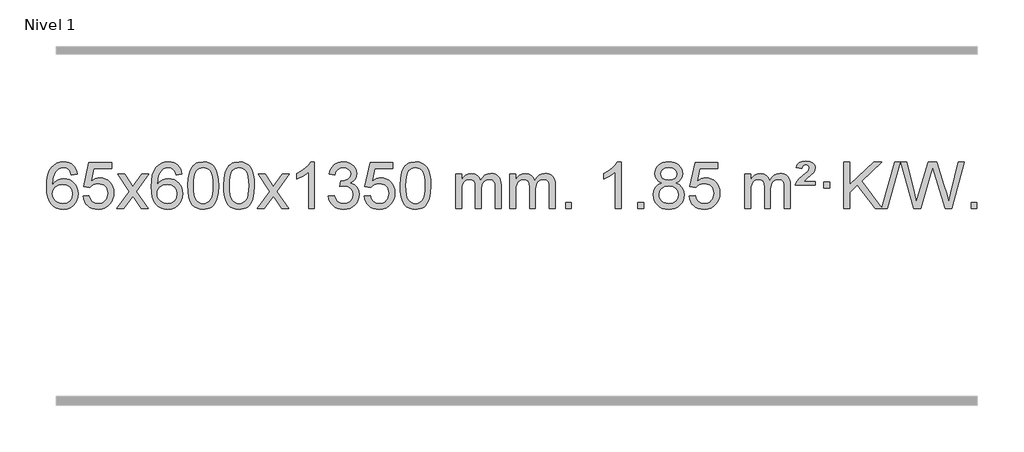
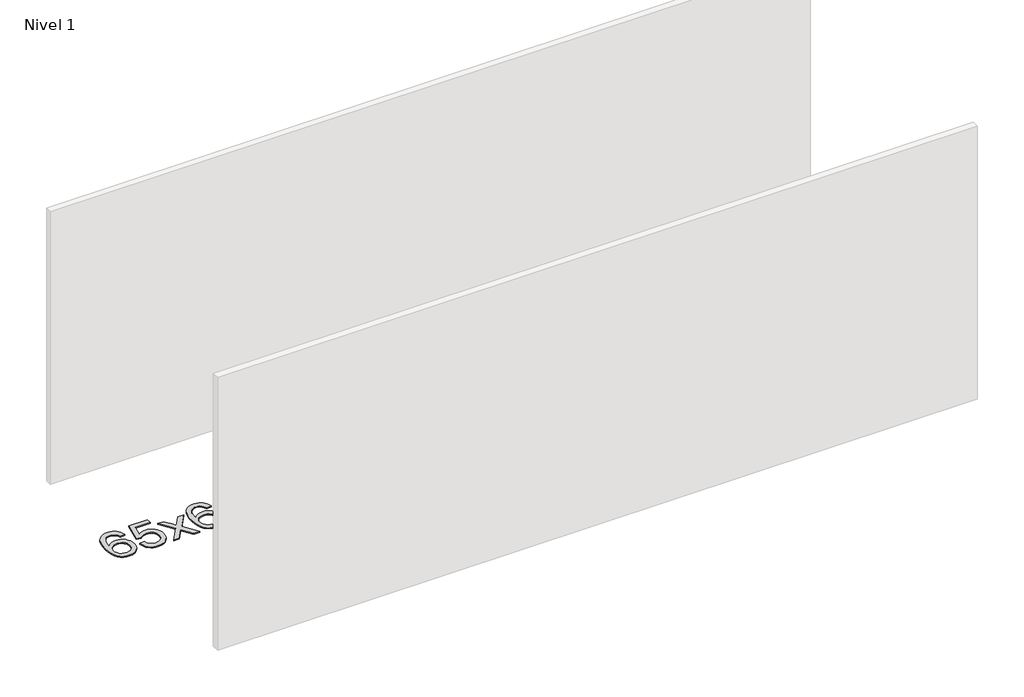
# One storey, part 7 of 9: 1 proxy.
"""IFC4 building model written with IfcOpenShell, lengths in millimetres."""

from ifc_helpers import new_model, si_unit, origin, origin_with_axes, place, context, project, spatial, polyline, outline, extrude, element, save

model = new_model("IFC4")

# Units and contexts
model_context = context("Model", 3, world=origin())
ifc_project = project(units=[si_unit("LENGTHUNIT", "METRE", prefix="MILLI")], contexts=[model_context])

# Site, building, storey
site = spatial("IfcSite", under=ifc_project)
building = spatial("IfcBuilding", under=site)
storey = spatial("IfcBuildingStorey", under=building, Name="Nivel 1", Elevation=0.0)

# Proxy
placement = place(None, origin())
element("IfcBuildingElementProxy", 1, Name="Texto de modelo 1", ObjectType="Texto de modelo 1", at=placement, inside=storey, context=model_context, shape_type="SweptSolid", body=[
    extrude(outline(polyline([(-6352.5741406, -3100.4890419), (-6402.8022957, -3106.7675613), (-6410.8956996, -3081.874213), (-6421.8340576, -3064.8780648), (-6444.6182158, -3049.2062918), (-6472.1603145, -3043.9823675), (-6495.5085585, -3047.0235253), (-6517.4833763, -3056.1469988), (-6536.3557227, -3075.3627017), (-6551.7699783, -3101.8134171), (-6562.1810387, -3139.227016), (-6566.0437997, -3191.3313693), (-6545.8961291, -3167.8237098), (-6521.7508075, -3151.2567573), (-6494.9567355, -3141.434308), (-6466.8628138, -3138.1601582), (-6442.7297549, -3140.398107), (-6420.4606315, -3147.1119534), (-6400.0554435, -3158.3016975), (-6381.5141909, -3173.9673391), (-6366.1060667, -3193.1769106), (-6355.1002637, -3214.9984443), (-6348.4967818, -3239.4319401), (-6346.2956212, -3266.4773982), (-6350.440425, -3302.4439945), (-6362.8748365, -3335.786366), (-6382.568786, -3364.0642287), (-6408.4922039, -3384.8372987), (-6439.4678679, -3397.602804), (-6474.3185556, -3401.8579724), (-6504.2610843, -3399.0375437), (-6531.3034766, -3390.5762579), (-6555.4457325, -3376.4741147), (-6576.6878521, -3356.7311143), (-6594.005897, -3330.5133908), (-6606.3759291, -3296.9870783), (-6613.7979483, -3256.1521768), (-6616.2719548, -3208.0086864), (-6613.5251025, -3154.0342663), (-6605.2845458, -3107.9693092), (-6591.5502847, -3069.8138149), (-6572.3223191, -3039.5677835), (-6551.481804, -3019.5243462), (-6527.3180883, -3005.2076052), (-6499.8311719, -2996.6175606), (-6469.0210548, -2993.7542124), (-6445.8874087, -2995.5261773), (-6424.9487918, -3000.8420722), (-6406.2052042, -3009.7018969), (-6389.6566457, -3022.1056515), (-6375.7507063, -3037.6364031), (-6364.9349757, -3055.8772186), (-6357.2094538, -3076.8280983), (-6352.5741406, -3100.4890419)]), holes=[polyline([(-6566.0437997, -3265.6925832), (-6563.1375319, -3287.9494439), (-6554.4187286, -3309.2007605), (-6540.8806712, -3327.472233), (-6523.516641, -3340.7895612), (-6502.5596301, -3348.9197533), (-6478.2426302, -3351.6298173), (-6445.0964624, -3346.0134855), (-6431.1813259, -3338.9930708), (-6419.0381544, -3329.1644901), (-6409.188114, -3316.9262824), (-6402.1523708, -3302.6769865), (-6396.5237763, -3268.1451299), (-6402.0787944, -3234.9989621), (-6409.0225671, -3221.3781312), (-6418.7438488, -3209.725469), (-6430.9238085, -3200.3904634), (-6445.2436152, -3193.7226022), (-6480.3027693, -3188.3883133), (-6513.3998862, -3193.7226022), (-6541.0768749, -3209.725469), (-6551.9999045, -3221.2248471), (-6559.8020685, -3234.3858254), (-6564.4833669, -3249.2084042), (-6566.0437997, -3265.6925832)])]), origin_with_axes(), (0.0, 0.0, 1.0), 10.0),
    extrude(outline(polyline([(-6302.3459855, -3288.8446235), (-6252.1178305, -3282.5661041), (-6242.8962551, -3312.7201649), (-6226.8075492, -3334.3148381), (-6203.9252891, -3347.3010725), (-6174.3230512, -3351.6298173), (-6155.1931875, -3350.1245668), (-6138.3196666, -3345.6088153), (-6123.7024887, -3338.0825628), (-6111.3416537, -3327.5458094), (-6101.513073, -3314.519721), (-6094.4926583, -3299.5254641), (-6088.8763265, -3263.6324441), (-6094.137039, -3229.8363514), (-6100.7129297, -3215.9181493), (-6109.9191766, -3203.9865099), (-6121.7864366, -3194.4154467), (-6136.3453666, -3187.5789729), (-6173.5382363, -3182.1097939), (-6197.9042871, -3184.2925604), (-6217.6350248, -3190.8408599), (-6233.3926369, -3200.8717757), (-6245.8393111, -3213.5023908), (-6296.0674662, -3207.2238715), (-6252.1178305, -3000.0327318), (-6057.4837296, -3000.0327318), (-6057.4837296, -3050.2608869), (-6211.5036582, -3050.2608869), (-6233.0860686, -3160.919791), (-6215.3602878, -3148.2155994), (-6197.2053113, -3139.1411769), (-6178.6211392, -3133.6965234), (-6159.6077714, -3131.8816388), (-6135.1436187, -3134.1318504), (-6112.6660288, -3140.882485), (-6092.1750017, -3152.1335427), (-6073.6705373, -3167.8850234), (-6058.3482522, -3187.1743027), (-6047.4037629, -3209.038756), (-6040.8370693, -3233.4783832), (-6038.6481714, -3260.4931844), (-6040.6163401, -3286.5147042), (-6046.5208461, -3310.7213394), (-6056.3616895, -3333.1130902), (-6070.1388702, -3353.6899565), (-6091.0100421, -3374.7634634), (-6115.3638301, -3389.8159684), (-6143.2002344, -3398.8474714), (-6174.519255, -3401.8579724), (-6200.4396072, -3399.9235262), (-6223.8522305, -3394.1201877), (-6244.7571249, -3384.447957), (-6263.1542903, -3370.9068338), (-6278.461247, -3354.1712688), (-6290.0955151, -3334.915712), (-6298.0570946, -3313.1401636), (-6302.3459855, -3288.8446235)])), origin_with_axes(), (0.0, 0.0, 1.0), 10.0),
    extrude(outline(polyline([(-6013.5340939, -3395.579453), (-5906.2106531, -3247.1513307), (-6007.2555745, -3100.4890419), (-5947.0210291, -3100.4890419), (-5898.264402, -3171.2204869), (-5875.4066674, -3204.4770192), (-5855.5900906, -3177.2047007), (-5800.0644348, -3100.4890419), (-5739.6336857, -3100.4890419), (-5845.7799041, -3247.2494325), (-5743.5577603, -3395.579453), (-5803.8904075, -3395.579453), (-5865.498379, -3306.3067555), (-5876.6819917, -3289.923744), (-5953.1033448, -3395.579453), (-6013.5340939, -3395.579453)])), origin_with_axes(), (0.0, 0.0, 1.0), 10.0),
    extrude(outline(polyline([(-5454.7458687, -3100.4890419), (-5504.9740237, -3106.7675613), (-5513.0674276, -3081.874213), (-5524.0057856, -3064.8780648), (-5546.7899439, -3049.2062918), (-5574.3320426, -3043.9823675), (-5597.6802865, -3047.0235253), (-5619.6551044, -3056.1469988), (-5638.5274507, -3075.3627017), (-5653.9417063, -3101.8134171), (-5664.3527668, -3139.227016), (-5668.2155277, -3191.3313693), (-5648.0678571, -3167.8237098), (-5623.9225355, -3151.2567573), (-5597.1284635, -3141.434308), (-5569.0345418, -3138.1601582), (-5544.9014829, -3140.398107), (-5522.6323595, -3147.1119534), (-5502.2271715, -3158.3016975), (-5483.6859189, -3173.9673391), (-5468.2777947, -3193.1769106), (-5457.2719917, -3214.9984443), (-5450.6685099, -3239.4319401), (-5448.4673493, -3266.4773982), (-5452.6121531, -3302.4439945), (-5465.0465645, -3335.786366), (-5484.740514, -3364.0642287), (-5510.6639319, -3384.8372987), (-5541.6395959, -3397.602804), (-5576.4902836, -3401.8579724), (-5606.4328123, -3399.0375437), (-5633.4752046, -3390.5762579), (-5657.6174606, -3376.4741147), (-5678.8595801, -3356.7311143), (-5696.177625, -3330.5133908), (-5708.5476571, -3296.9870783), (-5715.9696764, -3256.1521768), (-5718.4436828, -3208.0086864), (-5715.6968306, -3154.0342663), (-5707.4562739, -3107.9693092), (-5693.7220127, -3069.8138149), (-5674.4940471, -3039.5677835), (-5653.6535321, -3019.5243462), (-5629.4898164, -3005.2076052), (-5602.0029, -2996.6175606), (-5571.1927829, -2993.7542124), (-5548.0591367, -2995.5261773), (-5527.1205198, -3000.8420722), (-5508.3769322, -3009.7018969), (-5491.8283738, -3022.1056515), (-5477.9224344, -3037.6364031), (-5467.1067037, -3055.8772186), (-5459.3811818, -3076.8280983), (-5454.7458687, -3100.4890419)]), holes=[polyline([(-5668.2155277, -3265.6925832), (-5665.30926, -3287.9494439), (-5656.5904567, -3309.2007605), (-5643.0523993, -3327.472233), (-5625.6883691, -3340.7895612), (-5604.7313581, -3348.9197533), (-5580.4143582, -3351.6298173), (-5547.2681904, -3346.0134855), (-5533.353054, -3338.9930708), (-5521.2098825, -3329.1644901), (-5511.359842, -3316.9262824), (-5504.3240989, -3302.6769865), (-5498.6955043, -3268.1451299), (-5504.2505225, -3234.9989621), (-5511.1942951, -3221.3781312), (-5520.9155769, -3209.725469), (-5533.0955366, -3200.3904634), (-5547.4153432, -3193.7226022), (-5582.4744974, -3188.3883133), (-5615.5716142, -3193.7226022), (-5643.248603, -3209.725469), (-5654.1716326, -3221.2248471), (-5661.9737965, -3234.3858254), (-5666.6550949, -3249.2084042), (-5668.2155277, -3265.6925832)])]), origin_with_axes(), (0.0, 0.0, 1.0), 10.0),
    extrude(outline(polyline([(-5404.5177136, -3197.9041943), (-5400.8266309, -3133.5861588), (-5389.7533828, -3082.2911459), (-5371.408334, -3043.2343407), (-5359.550271, -3028.0009605), (-5345.901849, -3015.6309284), (-5330.4170827, -3006.0598651), (-5313.0499869, -2999.2233914), (-5272.6688065, -2993.7542124), (-5241.717668, -2996.991574), (-5214.003891, -3006.7036586), (-5190.8273253, -3022.5103217), (-5173.4878206, -3044.0314184), (-5160.3912216, -3071.0830078), (-5149.9433729, -3103.4811488), (-5143.1007678, -3144.6226186), (-5140.8198994, -3197.9041943), (-5144.4741939, -3261.8543477), (-5155.4370774, -3313.0267333), (-5173.6717616, -3352.1203266), (-5185.5022334, -3367.3996922), (-5199.1414584, -3379.8341036), (-5214.6446188, -3389.4695462), (-5232.066897, -3396.3520052), (-5272.6688065, -3401.8579724), (-5300.3335326, -3399.4667394), (-5324.8589989, -3392.2930405), (-5346.2452055, -3380.3368757), (-5364.4921525, -3363.5982449), (-5382.0033355, -3333.3399508), (-5394.5113233, -3295.6381776), (-5402.016116, -3250.4929255), (-5404.5177136, -3197.9041943)]), holes=[polyline([(-5354.2895585, -3197.8060924), (-5352.8180305, -3241.4706195), (-5348.4034466, -3276.8148822), (-5341.0458067, -3303.8388804), (-5330.7451108, -3322.5426142), (-5318.2861739, -3335.2682656), (-5304.4538109, -3344.3580165), (-5289.2480218, -3349.8118671), (-5272.6688065, -3351.6298173), (-5256.0895913, -3349.8057357), (-5240.8838021, -3344.3334911), (-5227.0514391, -3335.2130833), (-5214.5925022, -3322.4445124), (-5204.2918063, -3303.7101217), (-5196.9341664, -3276.6922549), (-5192.5195825, -3241.3909118), (-5191.0480545, -3197.8060924), (-5192.4705316, -3155.2973278), (-5196.7379627, -3120.5753989), (-5203.8503479, -3093.6403055), (-5213.8076873, -3074.4920476), (-5226.0581577, -3061.1440625), (-5240.0499363, -3051.6097875), (-5255.7830229, -3045.8892225), (-5273.2574177, -3043.9823675), (-5289.7507938, -3045.6623619), (-5304.6990656, -3050.7023452), (-5318.1022329, -3059.1023175), (-5329.9602959, -3070.8622786), (-5340.6043483, -3091.708925), (-5348.2072429, -3119.8151094), (-5352.7689796, -3155.1808319), (-5354.2895585, -3197.8060924)])]), origin_with_axes(), (0.0, 0.0, 1.0), 10.0),
    extrude(outline(polyline([(-5096.8702638, -3197.9041943), (-5093.1791811, -3133.5861588), (-5082.105933, -3082.2911459), (-5063.7608842, -3043.2343407), (-5051.9028212, -3028.0009605), (-5038.2543992, -3015.6309284), (-5022.7696329, -3006.0598651), (-5005.402537, -2999.2233914), (-4965.0213567, -2993.7542124), (-4934.0702182, -2996.991574), (-4906.3564412, -3006.7036586), (-4883.1798755, -3022.5103217), (-4865.8403708, -3044.0314184), (-4852.7437718, -3071.0830078), (-4842.2959231, -3103.4811488), (-4835.453318, -3144.6226186), (-4833.1724496, -3197.9041943), (-4836.8267441, -3261.8543477), (-4847.7896275, -3313.0267333), (-4866.0243118, -3352.1203266), (-4877.8547836, -3367.3996922), (-4891.4940086, -3379.8341036), (-4906.997169, -3389.4695462), (-4924.4194471, -3396.3520052), (-4965.0213567, -3401.8579724), (-4992.6860827, -3399.4667394), (-5017.2115491, -3392.2930405), (-5038.5977557, -3380.3368757), (-5056.8447027, -3363.5982449), (-5074.3558856, -3333.3399508), (-5086.8638735, -3295.6381776), (-5094.3686662, -3250.4929255), (-5096.8702638, -3197.9041943)]), holes=[polyline([(-5046.6421087, -3197.8060924), (-5045.1705807, -3241.4706195), (-5040.7559968, -3276.8148822), (-5033.3983568, -3303.8388804), (-5023.097661, -3322.5426142), (-5010.6387241, -3335.2682656), (-4996.8063611, -3344.3580165), (-4981.6005719, -3349.8118671), (-4965.0213567, -3351.6298173), (-4948.4421414, -3349.8057357), (-4933.2363523, -3344.3334911), (-4919.4039893, -3335.2130833), (-4906.9450524, -3322.4445124), (-4896.6443565, -3303.7101217), (-4889.2867166, -3276.6922549), (-4884.8721327, -3241.3909118), (-4883.4006047, -3197.8060924), (-4884.8230817, -3155.2973278), (-4889.0905129, -3120.5753989), (-4896.2028981, -3093.6403055), (-4906.1602375, -3074.4920476), (-4918.4107079, -3061.1440625), (-4932.4024864, -3051.6097875), (-4948.1355731, -3045.8892225), (-4965.6099679, -3043.9823675), (-4982.103344, -3045.6623619), (-4997.0516157, -3050.7023452), (-5010.4547831, -3059.1023175), (-5022.3128461, -3070.8622786), (-5032.9568985, -3091.708925), (-5040.559793, -3119.8151094), (-5045.1215298, -3155.1808319), (-5046.6421087, -3197.8060924)])]), origin_with_axes(), (0.0, 0.0, 1.0), 10.0),
    extrude(outline(polyline([(-4808.0583721, -3395.579453), (-4700.7349313, -3247.1513307), (-4801.7798527, -3100.4890419), (-4741.5453073, -3100.4890419), (-4692.7886802, -3171.2204869), (-4669.9309456, -3204.4770192), (-4650.1143688, -3177.2047007), (-4594.588713, -3100.4890419), (-4534.1579639, -3100.4890419), (-4640.3041823, -3247.2494325), (-4538.0820385, -3395.579453), (-4598.4146858, -3395.579453), (-4660.0226572, -3306.3067555), (-4671.2062699, -3289.923744), (-4747.627623, -3395.579453), (-4808.0583721, -3395.579453)])), origin_with_axes(), (0.0, 0.0, 1.0), 10.0),
    extrude(outline(polyline([(-4318.3338601, -3395.579453), (-4368.5620152, -3395.579453), (-4368.5620152, -3082.4382987), (-4389.5312889, -3099.3976587), (-4416.1414199, -3116.3324932), (-4469.0183253, -3141.6918254), (-4469.0183253, -3094.2105225), (-4429.5691127, -3072.7507395), (-4395.3928753, -3047.219729), (-4368.4516506, -3020.0700378), (-4350.7074757, -2993.7542124), (-4318.3338601, -2993.7542124), (-4318.3338601, -3395.579453)])), origin_with_axes(), (0.0, 0.0, 1.0), 10.0),
    extrude(outline(polyline([(-4199.0419918, -3288.8446235), (-4148.8138367, -3282.5661041), (-4137.5689104, -3314.1303793), (-4121.1000597, -3335.4430095), (-4098.5979444, -3347.5831154), (-4069.2532239, -3351.6298173), (-4034.8194691, -3346.0625364), (-4020.5456477, -3339.1034354), (-4008.2338636, -3329.3606939), (-3991.2377154, -3304.4428201), (-3985.5723327, -3274.2274455), (-3991.1886645, -3245.5449126), (-4008.0376599, -3222.2825078), (-4033.5441449, -3206.8682522), (-4065.1329455, -3201.730167), (-4100.3515152, -3207.2238715), (-4094.7597089, -3156.9957164), (-4086.7153559, -3157.5843276), (-4056.6226087, -3153.979084), (-4029.7181721, -3143.1633534), (-4018.6449241, -3134.9841103), (-4010.7354612, -3124.8673555), (-4005.9897835, -3112.8130888), (-4004.4078909, -3098.8213102), (-4008.9941531, -3077.1285352), (-4022.7529397, -3059.5315131), (-4043.7467389, -3047.8696539), (-4070.0380388, -3043.9823675), (-4096.3783897, -3047.9064421), (-4117.9117491, -3059.6786659), (-4133.632573, -3079.299039), (-4142.5353173, -3106.7675613), (-4192.7634724, -3100.4890419), (-4186.8099154, -3076.5092672), (-4177.9746162, -3055.3867093), (-4166.2575747, -3037.1213683), (-4151.6587908, -3021.713244), (-4134.6381172, -3009.4811677), (-4115.6554062, -3000.7439703), (-4094.710658, -2995.5016519), (-4071.8038724, -2993.7542124), (-4040.2273345, -2997.2000404), (-4011.2259705, -3007.5375245), (-3986.7740806, -3023.8469596), (-3968.8459647, -3045.2086408), (-3957.846293, -3069.8199463), (-3954.1797358, -3095.8782543), (-3957.662352, -3120.1584659), (-3968.1102007, -3142.1823347), (-3985.376129, -3160.9443165), (-4009.3129841, -3175.4388671), (-3977.8713363, -3188.1430586), (-3954.5721433, -3209.77452), (-3940.151169, -3239.1560286), (-3935.3441776, -3275.1103623), (-3937.7476733, -3300.5923218), (-3944.9581605, -3324.0631931), (-3956.975639, -3345.5229762), (-3973.8001089, -3364.971671), (-3994.2972674, -3381.1094278), (-4017.3328116, -3392.636397), (-4042.9067417, -3399.5525785), (-4071.0190575, -3401.8579724), (-4096.4274406, -3399.8898037), (-4119.5794808, -3393.9852977), (-4140.4751782, -3384.1444543), (-4159.1145326, -3370.3672736), (-4174.743386, -3353.4630959), (-4186.6075804, -3334.2412617), (-4194.7071156, -3312.7017708), (-4199.0419918, -3288.8446235)])), origin_with_axes(), (0.0, 0.0, 1.0), 10.0),
    extrude(outline(polyline([(-3891.394542, -3288.8446235), (-3841.1663869, -3282.5661041), (-3831.9448115, -3312.7201649), (-3815.8561056, -3334.3148381), (-3792.9738455, -3347.3010725), (-3763.3716076, -3351.6298173), (-3744.2417439, -3350.1245668), (-3727.368223, -3345.6088153), (-3712.7510451, -3338.0825628), (-3700.3902101, -3327.5458094), (-3690.5616294, -3314.519721), (-3683.5412147, -3299.5254641), (-3677.9248829, -3263.6324441), (-3683.1855954, -3229.8363514), (-3689.7614861, -3215.9181493), (-3698.967733, -3203.9865099), (-3710.834993, -3194.4154467), (-3725.393923, -3187.5789729), (-3762.5867927, -3182.1097939), (-3786.9528435, -3184.2925604), (-3806.6835812, -3190.8408599), (-3822.4411933, -3200.8717757), (-3834.8878675, -3213.5023908), (-3885.1160226, -3207.2238715), (-3841.1663869, -3000.0327318), (-3646.532286, -3000.0327318), (-3646.532286, -3050.2608869), (-3800.5522146, -3050.2608869), (-3822.134625, -3160.919791), (-3804.4088442, -3148.2155994), (-3786.2538677, -3139.1411769), (-3767.6696956, -3133.6965234), (-3748.6563278, -3131.8816388), (-3724.1921751, -3134.1318504), (-3701.7145852, -3140.882485), (-3681.2235581, -3152.1335427), (-3662.7190938, -3167.8850234), (-3647.3968087, -3187.1743027), (-3636.4523193, -3209.038756), (-3629.8856257, -3233.4783832), (-3627.6967278, -3260.4931844), (-3629.6648965, -3286.5147042), (-3635.5694025, -3310.7213394), (-3645.4102459, -3333.1130902), (-3659.1874266, -3353.6899565), (-3680.0585985, -3374.7634634), (-3704.4123865, -3389.8159684), (-3732.2487908, -3398.8474714), (-3763.5678114, -3401.8579724), (-3789.4881636, -3399.9235262), (-3812.9007869, -3394.1201877), (-3833.8056813, -3384.447957), (-3852.2028467, -3370.9068338), (-3867.5098034, -3354.1712688), (-3879.1440715, -3334.915712), (-3887.105651, -3313.1401636), (-3891.394542, -3288.8446235)])), origin_with_axes(), (0.0, 0.0, 1.0), 10.0),
    extrude(outline(polyline([(-3583.7470921, -3197.9041943), (-3580.0560094, -3133.5861588), (-3568.9827614, -3082.2911459), (-3550.6377126, -3043.2343407), (-3538.7796496, -3028.0009605), (-3525.1312276, -3015.6309284), (-3509.6464612, -3006.0598651), (-3492.2793654, -2999.2233914), (-3451.8981851, -2993.7542124), (-3420.9470465, -2996.991574), (-3393.2332696, -3006.7036586), (-3370.0567039, -3022.5103217), (-3352.7171992, -3044.0314184), (-3339.6206001, -3071.0830078), (-3329.1727515, -3103.4811488), (-3322.3301463, -3144.6226186), (-3320.049278, -3197.9041943), (-3323.7035725, -3261.8543477), (-3334.6664559, -3313.0267333), (-3352.9011401, -3352.1203266), (-3364.731612, -3367.3996922), (-3378.3708369, -3379.8341036), (-3393.8739974, -3389.4695462), (-3411.2962755, -3396.3520052), (-3451.8981851, -3401.8579724), (-3479.5629111, -3399.4667394), (-3504.0883774, -3392.2930405), (-3525.4745841, -3380.3368757), (-3543.721531, -3363.5982449), (-3561.232714, -3333.3399508), (-3573.7407019, -3295.6381776), (-3581.2454946, -3250.4929255), (-3583.7470921, -3197.9041943)]), holes=[polyline([(-3533.518937, -3197.8060924), (-3532.0474091, -3241.4706195), (-3527.6328251, -3276.8148822), (-3520.2751852, -3303.8388804), (-3509.9744894, -3322.5426142), (-3497.5155525, -3335.2682656), (-3483.6831894, -3344.3580165), (-3468.4774003, -3349.8118671), (-3451.8981851, -3351.6298173), (-3435.3189698, -3349.8057357), (-3420.1131807, -3344.3334911), (-3406.2808176, -3335.2130833), (-3393.8218807, -3322.4445124), (-3383.5211849, -3303.7101217), (-3376.163545, -3276.6922549), (-3371.748961, -3241.3909118), (-3370.2774331, -3197.8060924), (-3371.6999101, -3155.2973278), (-3375.9673412, -3120.5753989), (-3383.0797265, -3093.6403055), (-3393.0370658, -3074.4920476), (-3405.2875363, -3061.1440625), (-3419.2793148, -3051.6097875), (-3435.0124015, -3045.8892225), (-3452.4867962, -3043.9823675), (-3468.9801724, -3045.6623619), (-3483.9284441, -3050.7023452), (-3497.3316115, -3059.1023175), (-3509.1896744, -3070.8622786), (-3519.8337268, -3091.708925), (-3527.4366214, -3119.8151094), (-3531.9983581, -3155.1808319), (-3533.518937, -3197.8060924)])]), origin_with_axes(), (0.0, 0.0, 1.0), 10.0),
    extrude(outline(polyline([(-3106.5796189, -3395.579453), (-3106.5796189, -3100.4890419), (-3056.3514638, -3100.4890419), (-3056.3514638, -3149.0494653), (-3041.2437766, -3126.7435537), (-3021.8196072, -3109.2691589), (-2998.7411434, -3097.9751816), (-2972.6705727, -3094.2105225), (-2944.7360665, -3098.048758), (-2922.3443157, -3109.5634645), (-2905.6179477, -3127.9943524), (-2894.6795897, -3152.5811324), (-2876.3713291, -3127.0439906), (-2855.4878945, -3108.803175), (-2832.0292859, -3097.8586857), (-2805.9955034, -3094.2105225), (-2785.8876867, -3095.7280358), (-2768.2385479, -3100.2805755), (-2753.0480872, -3107.8681416), (-2740.3163045, -3118.4907342), (-2730.2516663, -3132.2709806), (-2723.0626389, -3149.3315082), (-2718.7492225, -3169.6723168), (-2717.3114171, -3193.2934066), (-2717.3114171, -3395.579453), (-2767.5395722, -3395.579453), (-2767.5395722, -3214.875817), (-2768.7045318, -3189.8230531), (-2772.1994108, -3172.9372695), (-2778.7477103, -3161.3735121), (-2789.0729316, -3152.2868268), (-2802.3534716, -3146.4007149), (-2817.7677272, -3144.4386776), (-2844.9787321, -3149.4663982), (-2867.1620165, -3164.54956), (-2875.7673895, -3176.1194488), (-2881.9140845, -3190.7182326), (-2886.8314405, -3229.0024856), (-2886.8314405, -3395.579453), (-2937.0595955, -3395.579453), (-2937.0595955, -3209.2840106), (-2939.9658633, -3180.8835206), (-2948.6846666, -3160.6254854), (-2964.0253458, -3148.4853796), (-2986.7972413, -3144.4386776), (-3006.1478342, -3147.1364789), (-3023.9778483, -3155.2298828), (-3038.6931281, -3168.5226856), (-3048.6995183, -3186.8186835), (-3054.4384775, -3212.2025411), (-3056.3514638, -3246.7589232), (-3056.3514638, -3395.579453), (-3106.5796189, -3395.579453)])), origin_with_axes(), (0.0, 0.0, 1.0), 10.0),
    extrude(outline(polyline([(-2641.9691845, -3395.579453), (-2641.9691845, -3100.4890419), (-2591.7410294, -3100.4890419), (-2591.7410294, -3149.0494653), (-2576.6333421, -3126.7435537), (-2557.2091728, -3109.2691589), (-2534.130709, -3097.9751816), (-2508.0601382, -3094.2105225), (-2480.1256321, -3098.048758), (-2457.7338813, -3109.5634645), (-2441.0075132, -3127.9943524), (-2430.0691552, -3152.5811324), (-2411.7608946, -3127.0439906), (-2390.87746, -3108.803175), (-2367.4188515, -3097.8586857), (-2341.3850689, -3094.2105225), (-2321.2772522, -3095.7280358), (-2303.6281135, -3100.2805755), (-2288.4376528, -3107.8681416), (-2275.7058701, -3118.4907342), (-2265.6412318, -3132.2709806), (-2258.4522045, -3149.3315082), (-2254.1387881, -3169.6723168), (-2252.7009826, -3193.2934066), (-2252.7009826, -3395.579453), (-2302.9291377, -3395.579453), (-2302.9291377, -3214.875817), (-2304.0940974, -3189.8230531), (-2307.5889763, -3172.9372695), (-2314.1372758, -3161.3735121), (-2324.4624972, -3152.2868268), (-2337.7430372, -3146.4007149), (-2353.1572928, -3144.4386776), (-2380.3682977, -3149.4663982), (-2402.551582, -3164.54956), (-2411.156955, -3176.1194488), (-2417.30365, -3190.7182326), (-2422.221006, -3229.0024856), (-2422.221006, -3395.579453), (-2472.4491611, -3395.579453), (-2472.4491611, -3209.2840106), (-2475.3554289, -3180.8835206), (-2484.0742321, -3160.6254854), (-2499.4149113, -3148.4853796), (-2522.1868068, -3144.4386776), (-2541.5373998, -3147.1364789), (-2559.3674138, -3155.2298828), (-2574.0826936, -3168.5226856), (-2584.0890839, -3186.8186835), (-2589.828043, -3212.2025411), (-2591.7410294, -3246.7589232), (-2591.7410294, -3395.579453), (-2641.9691845, -3395.579453)])), origin_with_axes(), (0.0, 0.0, 1.0), 10.0),
    extrude(outline(polyline([(-2164.8017113, -3395.579453), (-2164.8017113, -3345.3512979), (-2114.5735562, -3345.3512979), (-2114.5735562, -3395.579453), (-2164.8017113, -3395.579453)])), origin_with_axes(), (0.0, 0.0, 1.0), 10.0),
    extrude(outline(polyline([(-1687.634238, -3395.579453), (-1737.8623931, -3395.579453), (-1737.8623931, -3082.4382987), (-1758.8316668, -3099.3976587), (-1785.4417978, -3116.3324932), (-1838.3187033, -3141.6918254), (-1838.3187033, -3094.2105225), (-1798.8694907, -3072.7507395), (-1764.6932533, -3047.219729), (-1737.7520285, -3020.0700378), (-1720.0078536, -2993.7542124), (-1687.634238, -2993.7542124), (-1687.634238, -3395.579453)])), origin_with_axes(), (0.0, 0.0, 1.0), 10.0),
    extrude(outline(polyline([(-1543.2282922, -3395.579453), (-1543.2282922, -3345.3512979), (-1493.0001371, -3345.3512979), (-1493.0001371, -3395.579453), (-1543.2282922, -3395.579453)])), origin_with_axes(), (0.0, 0.0, 1.0), 10.0),
    extrude(outline(polyline([(-1338.1953936, -3174.2616447), (-1365.0875674, -3161.0178929), (-1383.9599138, -3143.0652515), (-1395.1067382, -3120.7716026), (-1398.8223464, -3094.5048281), (-1396.7989954, -3074.0199324), (-1390.7289425, -3055.2395565), (-1380.6121876, -3038.1637006), (-1366.4487308, -3022.7923645), (-1348.9191537, -3010.088173), (-1328.7040381, -3001.0137504), (-1305.8033839, -2995.5690969), (-1280.2171911, -2993.7542124), (-1254.508371, -2995.6120165), (-1231.4360386, -3001.1854287), (-1211.0001937, -3010.4744491), (-1193.2008365, -3023.4790776), (-1178.7798623, -3039.1508506), (-1168.4791665, -3056.4413044), (-1162.2987489, -3075.3504389), (-1160.2386098, -3095.8782543), (-1163.905167, -3121.2989001), (-1174.9048386, -3143.2124043), (-1193.3602521, -3161.0546811), (-1219.3940346, -3174.2616447), (-1188.4796843, -3190.1909351), (-1165.9775689, -3213.6495436), (-1152.2555705, -3243.5092989), (-1147.681571, -3278.6420295), (-1149.9501766, -3303.6947933), (-1156.7559935, -3326.6628926), (-1168.0990217, -3347.5463272), (-1183.9792612, -3366.3450971), (-1203.5628461, -3381.88198), (-1226.0159105, -3392.9797536), (-1251.3384545, -3399.6384177), (-1279.5304781, -3401.8579724), (-1307.7225016, -3399.6292206), (-1333.0450456, -3392.9429654), (-1355.4981101, -3381.7992066), (-1375.0816949, -3366.1979443), (-1390.9619344, -3347.26735), (-1402.3049626, -3326.135595), (-1409.1107795, -3302.8026795), (-1411.3793851, -3277.2686033), (-1406.6214447, -3240.7747094), (-1392.3476233, -3210.7555386), (-1369.2936849, -3188.2411605), (-1338.1953936, -3174.2616447)]), holes=[polyline([(-1348.5941913, -3095.9763561), (-1344.1428192, -3117.902123), (-1330.7887027, -3135.413306), (-1308.9242495, -3146.8912243), (-1278.9418669, -3150.717197), (-1249.6584601, -3146.9157497), (-1228.1251006, -3135.5114079), (-1214.8813488, -3118.5888361), (-1210.4667648, -3098.232699), (-1215.0285016, -3077.1040098), (-1228.7137118, -3059.629615), (-1250.5413768, -3047.8941794), (-1279.5304781, -3043.9823675), (-1308.7035203, -3047.8083402), (-1330.4943971, -3059.2862585), (-1344.0692428, -3076.1107284), (-1348.5941913, -3095.9763561)]), polyline([(-1361.1512301, -3275.5027698), (-1359.0543027, -3294.7184726), (-1352.7635206, -3313.3210389), (-1341.1507123, -3329.5446349), (-1323.0877063, -3341.623427), (-1301.456245, -3349.1282197), (-1279.1380706, -3351.6298173), (-1244.9495705, -3346.3691048), (-1231.0558938, -3339.7932141), (-1219.2959327, -3330.5869672), (-1203.2562777, -3306.6869002), (-1197.9097261, -3277.0723996), (-1203.427956, -3246.9551269), (-1219.9826458, -3222.5277625), (-1232.061438, -3213.0854579), (-1246.2248948, -3206.3409547), (-1280.8058023, -3200.9453521), (-1314.5160558, -3206.2673783), (-1328.2533826, -3212.919911), (-1339.9121762, -3222.2334569), (-1355.8414666, -3246.1948375), (-1361.1512301, -3275.5027698)])]), origin_with_axes(), (0.0, 0.0, 1.0), 10.0),
    extrude(outline(polyline([(-1103.7319353, -3288.8446235), (-1053.5037802, -3282.5661041), (-1044.2822049, -3312.7201649), (-1028.193499, -3334.3148381), (-1005.3112389, -3347.3010725), (-975.709001, -3351.6298173), (-956.5791372, -3350.1245668), (-939.7056164, -3345.6088153), (-925.0884384, -3338.0825628), (-912.7276034, -3327.5458094), (-902.8990228, -3314.519721), (-895.878608, -3299.5254641), (-890.2622762, -3263.6324441), (-895.5229888, -3229.8363514), (-902.0988794, -3215.9181493), (-911.3051264, -3203.9865099), (-923.1723864, -3194.4154467), (-937.7313163, -3187.5789729), (-974.9241861, -3182.1097939), (-999.2902369, -3184.2925604), (-1019.0209745, -3190.8408599), (-1034.7785867, -3200.8717757), (-1047.2252608, -3213.5023908), (-1097.4534159, -3207.2238715), (-1053.5037802, -3000.0327318), (-858.8696793, -3000.0327318), (-858.8696793, -3050.2608869), (-1012.889608, -3050.2608869), (-1034.4720183, -3160.919791), (-1016.7462375, -3148.2155994), (-998.5912611, -3139.1411769), (-980.007089, -3133.6965234), (-960.9937212, -3131.8816388), (-936.5295685, -3134.1318504), (-914.0519786, -3140.882485), (-893.5609515, -3152.1335427), (-875.0564871, -3167.8850234), (-859.734202, -3187.1743027), (-848.7897126, -3209.038756), (-842.223019, -3233.4783832), (-840.0341212, -3260.4931844), (-842.0022898, -3286.5147042), (-847.9067959, -3310.7213394), (-857.7476392, -3333.1130902), (-871.5248199, -3353.6899565), (-892.3959918, -3374.7634634), (-916.7497799, -3389.8159684), (-944.5861842, -3398.8474714), (-975.9052047, -3401.8579724), (-1001.825557, -3399.9235262), (-1025.2381803, -3394.1201877), (-1046.1430746, -3384.447957), (-1064.5402401, -3370.9068338), (-1079.8471968, -3354.1712688), (-1091.4814649, -3334.915712), (-1099.4430444, -3313.1401636), (-1103.7319353, -3288.8446235)])), origin_with_axes(), (0.0, 0.0, 1.0), 10.0),
    extrude(outline(polyline([(-626.5644621, -3395.579453), (-626.5644621, -3100.4890419), (-576.336307, -3100.4890419), (-576.336307, -3149.0494653), (-561.2286197, -3126.7435537), (-541.8044504, -3109.2691589), (-518.7259866, -3097.9751816), (-492.6554158, -3094.2105225), (-464.7209097, -3098.048758), (-442.3291589, -3109.5634645), (-425.6027909, -3127.9943524), (-414.6644329, -3152.5811324), (-396.3561722, -3127.0439906), (-375.4727377, -3108.803175), (-352.0141291, -3097.8586857), (-325.9803466, -3094.2105225), (-305.8725298, -3095.7280358), (-288.2233911, -3100.2805755), (-273.0329304, -3107.8681416), (-260.3011477, -3118.4907342), (-250.2365094, -3132.2709806), (-243.0474821, -3149.3315082), (-238.7340657, -3169.6723168), (-237.2962603, -3193.2934066), (-237.2962603, -3395.579453), (-287.5244153, -3395.579453), (-287.5244153, -3214.875817), (-288.689375, -3189.8230531), (-292.1842539, -3172.9372695), (-298.7325535, -3161.3735121), (-309.0577748, -3152.2868268), (-322.3383148, -3146.4007149), (-337.7525704, -3144.4386776), (-364.9635753, -3149.4663982), (-387.1468596, -3164.54956), (-395.7522326, -3176.1194488), (-401.8989276, -3190.7182326), (-406.8162836, -3229.0024856), (-406.8162836, -3395.579453), (-457.0444387, -3395.579453), (-457.0444387, -3209.2840106), (-459.9507065, -3180.8835206), (-468.6695098, -3160.6254854), (-484.010189, -3148.4853796), (-506.7820845, -3144.4386776), (-526.1326774, -3147.1364789), (-543.9626914, -3155.2298828), (-558.6779713, -3168.5226856), (-568.6843615, -3186.8186835), (-574.4233206, -3212.2025411), (-576.336307, -3246.7589232), (-576.336307, -3395.579453), (-626.5644621, -3395.579453)])), origin_with_axes(), (0.0, 0.0, 1.0), 10.0),
    extrude(outline(polyline([(-193.3466246, -3194.6668327), (-189.5206518, -3178.8479069), (-181.1819933, -3162.9799302), (-159.6731593, -3137.8413272), (-127.7164766, -3110.1030247), (-83.5706372, -3072.726214), (-76.4337265, -3061.1992448), (-74.0547563, -3049.3779701), (-75.9432172, -3037.2869152), (-81.6085999, -3027.5012541), (-90.977328, -3021.026531), (-103.9758252, -3018.8682899), (-116.4102366, -3020.4869707), (-125.26393, -3025.343013), (-131.6896022, -3034.8098431), (-136.8399501, -3050.2608869), (-187.0681052, -3043.9823675), (-176.2278491, -3018.7701881), (-159.5995829, -3001.2099542), (-135.834406, -2990.9092583), (-103.5834178, -2987.475693), (-67.8007624, -2991.6082341), (-43.0545668, -3004.0058573), (-28.6335926, -3022.3386434), (-23.8266012, -3044.2766731), (-27.9223541, -3067.1834586), (-40.2096127, -3088.8149199), (-60.737428, -3108.6314968), (-97.2067965, -3136.6886303), (-122.8113834, -3163.2742358), (-23.8266012, -3163.2742358), (-23.8266012, -3194.6668327), (-193.3466246, -3194.6668327)])), origin_with_axes(), (0.0, 0.0, 1.0), 10.0),
    extrude(outline(polyline([(51.5156314, -3219.7809102), (51.5156314, -3169.5527552), (101.7437865, -3169.5527552), (101.7437865, -3219.7809102), (51.5156314, -3219.7809102)])), origin_with_axes(), (0.0, 0.0, 1.0), 10.0),
    extrude(outline(polyline([(492.3854144, -3395.579453), (338.8559951, -3192.9009991), (271.2638099, -3257.4520265), (271.2638099, -3395.579453), (221.0356548, -3395.579453), (221.0356548, -2993.7542124), (271.2638099, -2993.7542124), (271.2638099, -3190.4484525), (477.2777272, -2993.7542124), (547.5186628, -2993.7542124), (374.4669722, -3158.9577537), (549.2180057, -3389.5373449), (660.5320117, -2993.7542124), (706.0512772, -2993.7542124), (592.9398265, -3395.579453), (553.7971822, -3395.579453), (547.5186628, -3395.579453), (492.3854144, -3395.579453)])), origin_with_axes(), (0.0, 0.0, 1.0), 10.0),
    extrude(outline(polyline([(820.3399504, -3395.579453), (710.7601668, -2993.7542124), (762.5579517, -2993.7542124), (826.1279605, -3257.844434), (845.7483335, -3339.3670841), (866.7421327, -3267.2622131), (946.4008474, -2993.7542124), (1021.056367, -2993.7542124), (1078.9364675, -3192.0180823), (1103.731714, -3265.5944814), (1122.0031864, -3339.3670841), (1141.0349483, -3260.1988788), (1205.0954664, -2993.7542124), (1256.9913532, -2993.7542124), (1147.5096714, -3395.579453), (1093.7498492, -3395.579453), (997.3157155, -3085.5775584), (983.87576, -3042.3146358), (968.7680727, -3094.4067263), (880.9669032, -3395.579453), (820.3399504, -3395.579453)])), origin_with_axes(), (0.0, 0.0, 1.0), 10.0),
    extrude(outline(polyline([(1313.4980277, -3395.579453), (1313.4980277, -3345.3512979), (1363.7261827, -3345.3512979), (1363.7261827, -3395.579453), (1313.4980277, -3395.579453)])), origin_with_axes(), (0.0, 0.0, 1.0), 10.0),
])

save(model, "model.ifc")
